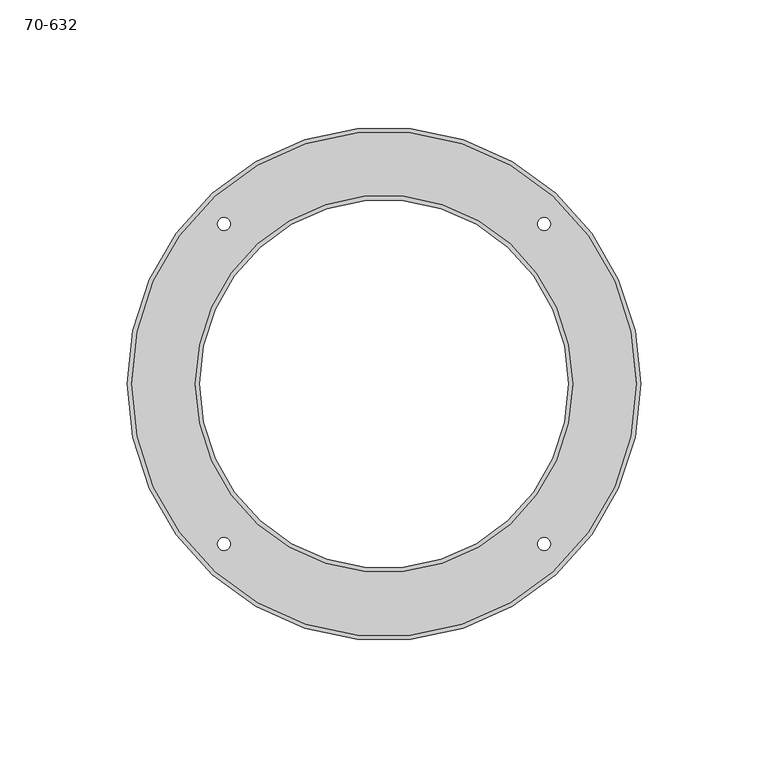
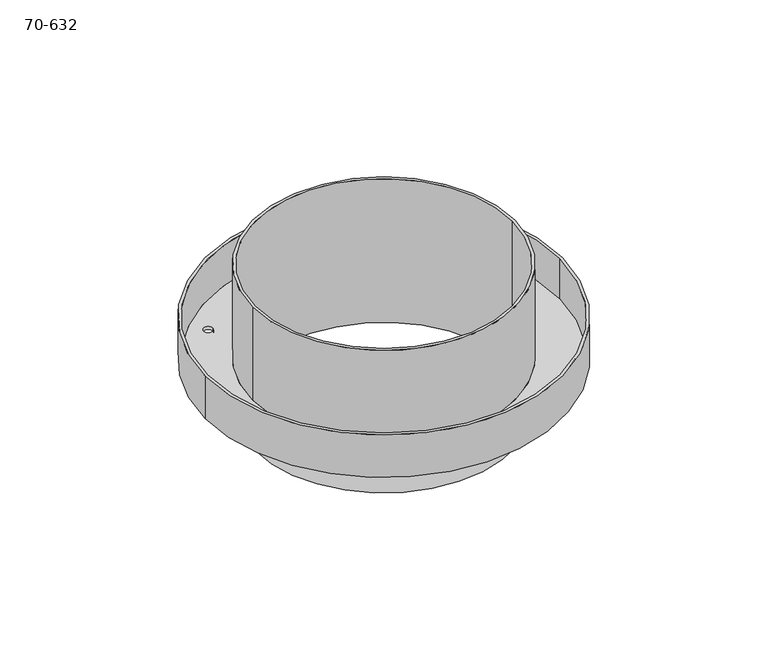
"""IFC4 building model written with IfcOpenShell, lengths in millimetres: proxy geometry, 70-632."""

from ifc_helpers import new_model, si_unit, frame, origin, place, context, project, spatial, polyline, circle_curve, source, transform, mapped, element, save
from ifc_brep_helpers import plane_surface, cylinder_surface, revolved_surface, advanced_brep


def proxy_70_632_9c6109bb(model_context):
    return source(origin(), model_context, "Body", "AdvancedBrep", [
        advanced_brep(
        [(-100.80625, 0.0, 0.0), (-100.80625, 0.0, 25.4), (100.80625, 0.0, 25.4), (100.80625, 0.0, 0.0), (72.39, 0.0, -28.575), (72.39, 0.0, 57.15), (-72.39, 0.0, 57.15), (-72.39, 0.0, -28.575), (-99.15525, 0.0, 25.4), (-99.15525, 0.0, 1.651), (99.15525, 0.0, 1.651), (99.15525, 0.0, 25.4), (74.041, 0.0, 57.15), (74.041, 0.0, 1.651), (-74.041, 0.0, 1.651), (-74.041, 0.0, 57.15), (65.4017928, 62.8617928, 0.0), (65.4017928, 62.8617928, 1.651), (60.3217928, 62.8617928, 1.651), (60.3217928, 62.8617928, 0.0), (-60.3217928, -62.8617928, 0.0), (-60.3217928, -62.8617928, 1.651), (-65.4017928, -62.8617928, 1.651), (-65.4017928, -62.8617928, 0.0), (65.4017928, -62.8617928, 0.0), (65.4017928, -62.8617928, 1.651), (60.3217928, -62.8617928, 1.651), (60.3217928, -62.8617928, 0.0), (-60.3217928, 62.8617928, 0.0), (-60.3217928, 62.8617928, 1.651), (-65.4017928, 62.8617928, 1.651), (-65.4017928, 62.8617928, 0.0), (73.0885, 0.0, 0.0), (73.0885, 0.0, -28.575), (-73.0885, 0.0, -28.575), (-73.0885, 0.0, 0.0)],
        [
            (0, 1),
            (1, 2, circle_curve(frame((0.0, 0.0, 25.4), z_axis=(0.0, 0.0, -1.0), x_axis=(-1.0, 0.0, 0.0)), 100.80625)),
            (2, 3),
            (3, 0, circle_curve(frame((0.0, 0.0, 0.0), z_axis=(0.0, 0.0, 1.0), x_axis=(-1.0, 0.0, 0.0)), 100.80625)),
            (4, 5),
            (5, 6, circle_curve(frame((0.0, 0.0, 57.15), z_axis=(0.0, 0.0, 1.0), x_axis=(1.0, 0.0, 0.0)), 72.39)),
            (6, 7),
            (7, 4, circle_curve(frame((0.0, 0.0, -28.575), z_axis=(0.0, 0.0, -1.0), x_axis=(1.0, 0.0, 0.0)), 72.39)),
            (8, 9),
            (9, 10, circle_curve(frame((0.0, 0.0, 1.651), z_axis=(0.0, 0.0, -1.0), x_axis=(-1.0, 0.0, 0.0)), 99.15525)),
            (10, 11),
            (11, 8, circle_curve(frame((0.0, 0.0, 25.4), z_axis=(0.0, 0.0, 1.0), x_axis=(-1.0, 0.0, 0.0)), 99.15525)),
            (12, 13),
            (13, 14, circle_curve(frame((0.0, 0.0, 1.651), z_axis=(0.0, 0.0, 1.0), x_axis=(1.0, 0.0, 0.0)), 74.041)),
            (14, 15),
            (15, 12, circle_curve(frame((0.0, 0.0, 57.15), z_axis=(0.0, 0.0, -1.0), x_axis=(1.0, 0.0, 0.0)), 74.041)),
            (16, 17),
            (17, 18, circle_curve(frame((62.8617928, 62.8617928, 1.651), z_axis=(0.0, 0.0, 1.0), x_axis=(1.0, 0.0, 0.0)), 2.54)),
            (18, 19),
            (19, 16, circle_curve(frame((62.8617928, 62.8617928, 0.0), z_axis=(0.0, 0.0, -1.0), x_axis=(1.0, 0.0, 0.0)), 2.54)),
            (20, 21),
            (21, 22, circle_curve(frame((-62.8617928, -62.8617928, 1.651), z_axis=(0.0, 0.0, 1.0), x_axis=(1.0, 0.0, 0.0)), 2.54)),
            (22, 23),
            (23, 20, circle_curve(frame((-62.8617928, -62.8617928, 0.0), z_axis=(0.0, 0.0, -1.0), x_axis=(1.0, 0.0, 0.0)), 2.54)),
            (24, 25),
            (25, 26, circle_curve(frame((62.8617928, -62.8617928, 1.651), z_axis=(0.0, 0.0, 1.0), x_axis=(1.0, 0.0, 0.0)), 2.54)),
            (26, 27),
            (27, 24, circle_curve(frame((62.8617928, -62.8617928, 0.0), z_axis=(0.0, 0.0, -1.0), x_axis=(1.0, 0.0, 0.0)), 2.54)),
            (28, 29),
            (29, 30, circle_curve(frame((-62.8617928, 62.8617928, 1.651), z_axis=(0.0, 0.0, 1.0), x_axis=(1.0, 0.0, 0.0)), 2.54)),
            (30, 31),
            (31, 28, circle_curve(frame((-62.8617928, 62.8617928, 0.0), z_axis=(0.0, 0.0, -1.0), x_axis=(1.0, 0.0, 0.0)), 2.54)),
            (32, 33),
            (33, 34, circle_curve(frame((0.0, 0.0, -28.575), z_axis=(0.0, 0.0, 1.0), x_axis=(1.0, 0.0, 0.0)), 73.0885)),
            (34, 35),
            (35, 32, circle_curve(frame((0.0, 0.0, 0.0), z_axis=(0.0, 0.0, -1.0), x_axis=(1.0, 0.0, 0.0)), 73.0885)),
            (32, 35, circle_curve(frame((0.0, 0.0, 0.0), z_axis=(0.0, 0.0, -1.0), x_axis=(1.0, 0.0, 0.0)), 73.0885)),
            (34, 33, circle_curve(frame((0.0, 0.0, -28.575), z_axis=(0.0, 0.0, 1.0), x_axis=(1.0, 0.0, 0.0)), 73.0885)),
            (7, 4, circle_curve(frame((0.0, 0.0, -28.575), z_axis=(0.0, 0.0, 1.0), x_axis=(1.0, 0.0, 0.0)), 72.39)),
            (28, 31, circle_curve(frame((-62.8617928, 62.8617928, 0.0), z_axis=(0.0, 0.0, -1.0), x_axis=(1.0, 0.0, 0.0)), 2.54)),
            (30, 29, circle_curve(frame((-62.8617928, 62.8617928, 1.651), z_axis=(0.0, 0.0, 1.0), x_axis=(1.0, 0.0, 0.0)), 2.54)),
            (24, 27, circle_curve(frame((62.8617928, -62.8617928, 0.0), z_axis=(0.0, 0.0, -1.0), x_axis=(1.0, 0.0, 0.0)), 2.54)),
            (26, 25, circle_curve(frame((62.8617928, -62.8617928, 1.651), z_axis=(0.0, 0.0, 1.0), x_axis=(1.0, 0.0, 0.0)), 2.54)),
            (20, 23, circle_curve(frame((-62.8617928, -62.8617928, 0.0), z_axis=(0.0, 0.0, -1.0), x_axis=(1.0, 0.0, 0.0)), 2.54)),
            (22, 21, circle_curve(frame((-62.8617928, -62.8617928, 1.651), z_axis=(0.0, 0.0, 1.0), x_axis=(1.0, 0.0, 0.0)), 2.54)),
            (16, 19, circle_curve(frame((62.8617928, 62.8617928, 0.0), z_axis=(0.0, 0.0, -1.0), x_axis=(1.0, 0.0, 0.0)), 2.54)),
            (18, 17, circle_curve(frame((62.8617928, 62.8617928, 1.651), z_axis=(0.0, 0.0, 1.0), x_axis=(1.0, 0.0, 0.0)), 2.54)),
            (1, 2, circle_curve(frame((0.0, 0.0, 25.4), z_axis=(0.0, 0.0, 1.0), x_axis=(-1.0, 0.0, 0.0)), 100.80625)),
            (11, 8, circle_curve(frame((0.0, 0.0, 25.4), z_axis=(0.0, 0.0, -1.0), x_axis=(-1.0, 0.0, 0.0)), 99.15525)),
            (9, 10, circle_curve(frame((0.0, 0.0, 1.651), z_axis=(0.0, 0.0, 1.0), x_axis=(-1.0, 0.0, 0.0)), 99.15525)),
            (13, 14, circle_curve(frame((0.0, 0.0, 1.651), z_axis=(0.0, 0.0, -1.0), x_axis=(1.0, 0.0, 0.0)), 74.041)),
            (12, 15, circle_curve(frame((0.0, 0.0, 57.15), z_axis=(0.0, 0.0, -1.0), x_axis=(1.0, 0.0, 0.0)), 74.041)),
            (6, 5, circle_curve(frame((0.0, 0.0, 57.15), z_axis=(0.0, 0.0, 1.0), x_axis=(1.0, 0.0, 0.0)), 72.39)),
            (0, 3, circle_curve(frame((0.0, 0.0, 0.0), z_axis=(0.0, 0.0, 1.0), x_axis=(-1.0, 0.0, 0.0)), 100.80625)),
        ],
        [
            cylinder_surface(frame((0.0, 0.0, 0.0), z_axis=(0.0, 0.0, 1.0), x_axis=(-1.0, 0.0, 0.0)), 100.80625),
            revolved_surface(polyline([(72.39, 0.0, 57.150000000000006), (72.39, 0.0, -28.57499999999999)]), (0.0, 0.0, -233.6442964), (0.0, 0.0, 1.0)),
            revolved_surface(polyline([(-99.15525, 0.0, 25.4), (-99.15525, 0.0, 1.651)]), (0.0, 0.0, 0.0), (0.0, 0.0, 1.0)),
            cylinder_surface(frame((0.0, 0.0, -233.6442964), z_axis=(0.0, 0.0, 1.0), x_axis=(1.0, 0.0, 0.0)), 74.041),
            revolved_surface(polyline([(65.40179280000001, 62.8617928, 0.0), (65.40179280000001, 62.8617928, 1.651)]), (62.8617928, 62.8617928, 0.0), (0.0, 0.0, -1.0)),
            revolved_surface(polyline([(-60.321792800000004, -62.8617928, 0.0), (-60.321792800000004, -62.8617928, 1.651)]), (-62.8617928, -62.8617928, 0.0), (0.0, 0.0, -1.0)),
            revolved_surface(polyline([(65.40179280000001, -62.8617928, 0.0), (65.40179280000001, -62.8617928, 1.651)]), (62.8617928, -62.8617928, 0.0), (0.0, 0.0, -1.0)),
            revolved_surface(polyline([(-60.321792800000004, 62.8617928, 0.0), (-60.321792800000004, 62.8617928, 1.651)]), (-62.8617928, 62.8617928, 0.0), (0.0, 0.0, -1.0)),
            cylinder_surface(frame((0.0, 0.0, 0.0), z_axis=(0.0, 0.0, -1.0), x_axis=(1.0, 0.0, 0.0)), 73.0885),
            plane_surface(frame((0.0, 0.0, -28.575), z_axis=(0.0, 0.0, -1.0), x_axis=(1.0, 0.0, 0.0))),
            plane_surface(frame((0.0, 0.0, 25.4), z_axis=(0.0, 0.0, 1.0), x_axis=(-1.0, 0.0, 0.0))),
            plane_surface(frame((0.0, 0.0, 1.651), z_axis=(0.0, 0.0, 1.0), x_axis=(-1.0, 0.0, 0.0))),
            plane_surface(frame((0.0, 0.0, 57.15), z_axis=(0.0, 0.0, 1.0), x_axis=(-1.0, 0.0, 0.0))),
            plane_surface(frame((0.0, 0.0, 0.0), z_axis=(0.0, 0.0, -1.0), x_axis=(-1.0, 0.0, 0.0))),
        ],
        [
            (0, [[1, 2, 3, 4]]),
            (1, [[5, 6, 7, 8]]),
            (2, [[9, 10, 11, 12]]),
            (3, [[13, 14, 15, 16]]),
            (4, [[17, 18, 19, 20]]),
            (5, [[21, 22, 23, 24]]),
            (6, [[25, 26, 27, 28]]),
            (7, [[29, 30, 31, 32]]),
            (8, [[33, 34, 35, 36]]),
            (8, [[-33, 37, -35, 38]]),
            (9, [[-38, -34], [39, -8]]),
            (7, [[-29, 40, -31, 41]]),
            (6, [[-25, 42, -27, 43]]),
            (5, [[-21, 44, -23, 45]]),
            (4, [[-17, 46, -19, 47]]),
            (10, [[48, -2], [-12, 49]]),
            (11, [[50, -10], [-18, -47], [-22, -45], [-26, -43], [-30, -41], [51, -14]]),
            (3, [[-13, 52, -15, -51]]),
            (2, [[-9, -49, -11, -50]]),
            (1, [[-5, -39, -7, 53]]),
            (0, [[-1, 54, -3, -48]]),
            (12, [[-52, -16], [-53, -6]]),
            (13, [[-54, -4], [-37, -36], [-40, -32], [-42, -28], [-44, -24], [-46, -20]]),
        ],
    ),
    ])


if __name__ == "__main__":
    model = new_model("IFC4")
    model_context = context("Model", 3, world=origin())
    ifc_project = project(units=[si_unit("LENGTHUNIT", "METRE", prefix="MILLI")], contexts=[model_context])
    site = spatial("IfcSite", under=ifc_project)
    building = spatial("IfcBuilding", under=site)
    placement = place(None, origin())
    proxy_70_632_shape = proxy_70_632_9c6109bb(model_context)
    element("IfcBuildingElementProxy", 1, Name="70-632", ObjectType="70-632", at=placement, inside=building, context=model_context, shape_type="MappedRepresentation", body=[
        mapped(proxy_70_632_shape, transform((0.0, 0.0, 0.0), x_axis=(1.0, 0.0, 0.0), y_axis=(0.0, 1.0, 0.0), z_axis=(0.0, 0.0, 1.0))),
    ])
    save(model, "model.ifc")
